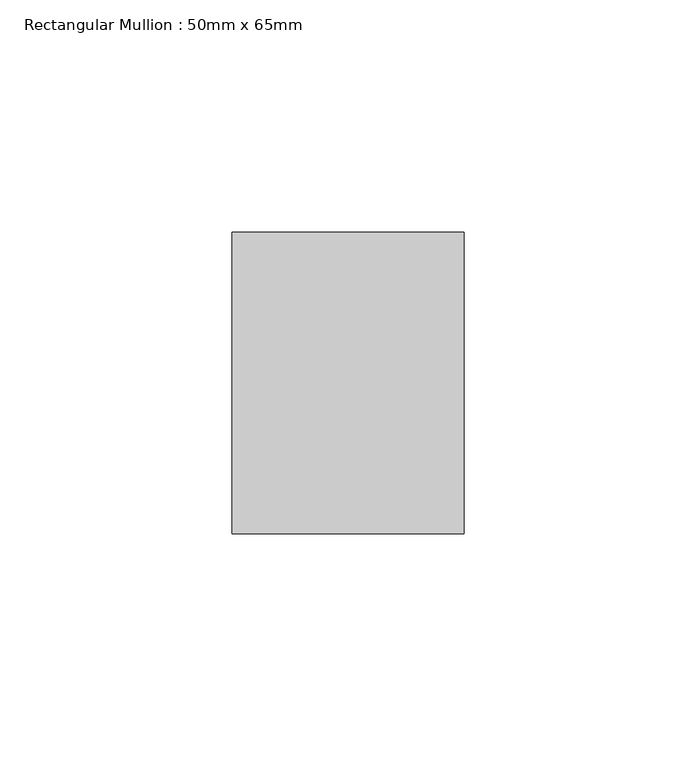
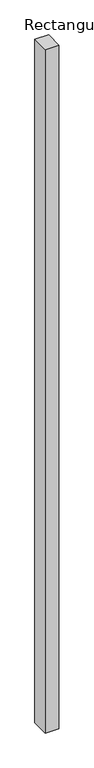
"""IFC4 building model written with IfcOpenShell, lengths in millimetres: member geometry, Rectangular Mullion : 50mm x 65mm."""

from ifc_helpers import new_model, si_unit, frame, origin, place, context, project, spatial, polyline, outline, extrude, source, transform, mapped, element, save


def rectangular_mullion_50mm_x_65mm_b1f69a02(model_context):
    return source(origin(), model_context, "Body", "SweptSolid", [
        extrude(outline(polyline([(25.0, 32.5), (25.0, -32.5), (-25.0, -32.5), (-25.0, 32.5), (25.0, 32.5)])), frame((0.0, 0.0, -2625.0754641), z_axis=(0.0, 0.0, 1.0), x_axis=(1.0, 0.0, 0.0)), (0.0, 0.0, 1.0), 2625.0754641),
    ])


if __name__ == "__main__":
    model = new_model("IFC4")
    model_context = context("Model", 3, world=origin())
    ifc_project = project(units=[si_unit("LENGTHUNIT", "METRE", prefix="MILLI")], contexts=[model_context])
    site = spatial("IfcSite", under=ifc_project)
    building = spatial("IfcBuilding", under=site)
    placement = place(None, origin())
    rectangular_mullion_50mm_x_65mm_shape = rectangular_mullion_50mm_x_65mm_b1f69a02(model_context)
    element("IfcMember", 1, ObjectType="Rectangular Mullion : 50mm x 65mm", at=placement, inside=building, context=model_context, shape_type="MappedRepresentation", body=[
        mapped(rectangular_mullion_50mm_x_65mm_shape, transform((0.0, 0.0, 0.0), x_axis=(1.0, 0.0, 0.0), y_axis=(0.0, 1.0, 0.0), z_axis=(0.0, 0.0, 1.0))),
    ])
    save(model, "model.ifc")
